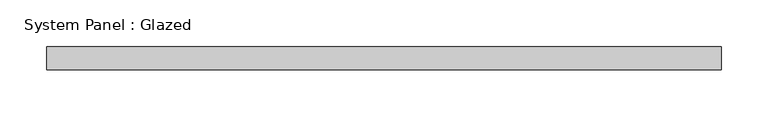
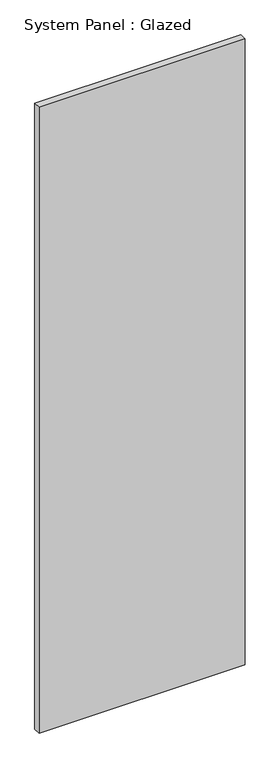
"""IFC4 building model written with IfcOpenShell, lengths in millimetres: plate geometry, System Panel : Glazed."""

from ifc_helpers import new_model, si_unit, origin, origin_with_axes, place, context, project, spatial, polyline, outline, extrude, source, transform, mapped, element, save


def system_panel_glazed_1d2fcf8a(model_context):
    return source(origin(), model_context, "Body", "SweptSolid", [
        extrude(outline(polyline([(362.5, 24.5), (-362.5, 24.5), (-362.5, 49.5), (362.5, 49.5), (362.5, 24.5)])), origin_with_axes(), (0.0, 0.0, 1.0), 2325.0),
    ])


if __name__ == "__main__":
    model = new_model("IFC4")
    model_context = context("Model", 3, world=origin())
    ifc_project = project(units=[si_unit("LENGTHUNIT", "METRE", prefix="MILLI")], contexts=[model_context])
    site = spatial("IfcSite", under=ifc_project)
    building = spatial("IfcBuilding", under=site)
    placement = place(None, origin())
    system_panel_glazed_shape = system_panel_glazed_1d2fcf8a(model_context)
    element("IfcPlate", 1, ObjectType="System Panel : Glazed", at=placement, inside=building, context=model_context, shape_type="MappedRepresentation", body=[
        mapped(system_panel_glazed_shape, transform((0.0, 0.0, 0.0), x_axis=(1.0, 0.0, 0.0), y_axis=(0.0, 1.0, 0.0), z_axis=(0.0, 0.0, 1.0))),
    ])
    save(model, "model.ifc")
